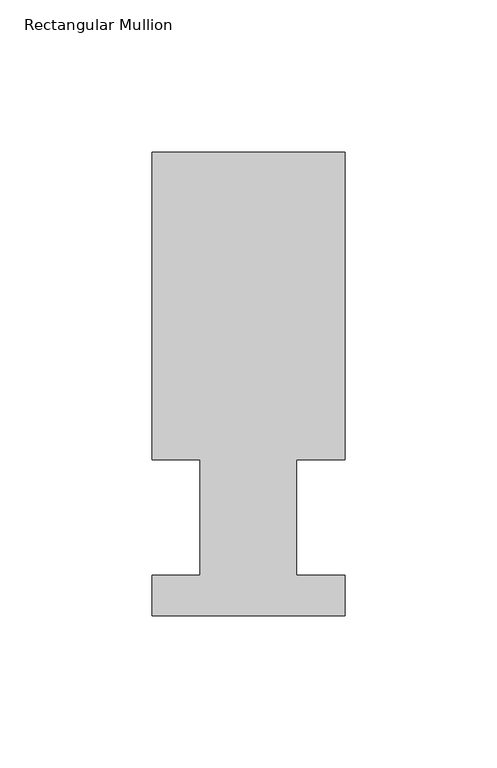
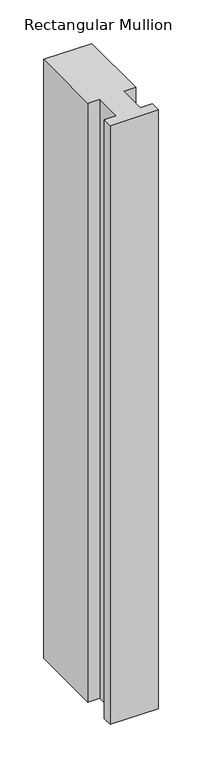
"""IFC4 building model written with IfcOpenShell, lengths in millimetres: member geometry, Rectangular Mullion."""

from ifc_helpers import new_model, si_unit, frame, origin, place, context, project, spatial, polyline, outline, extrude, source, transform, mapped, element, save


def rectangular_mullion_234212ca(model_context):
    return source(origin(), model_context, "Body", "SweptSolid", [
        extrude(outline(polyline([(-31.75, 152.4896938), (31.75, 152.4896938), (31.75, 51.2960937), (15.875, 51.2960937), (15.875, 13.1960938), (31.75, 13.1960938), (31.75, 0.0134938), (-31.75, 0.0134938), (-31.75, 13.1960938), (-15.875, 13.1960938), (-15.875, 51.2960937), (-31.75, 51.2960937), (-31.75, 152.4896938)])), frame((0.0, 0.0, -838.2), z_axis=(0.0, 0.0, 1.0), x_axis=(1.0, 0.0, 0.0)), (0.0, 0.0, 1.0), 838.2),
    ])


if __name__ == "__main__":
    model = new_model("IFC4")
    model_context = context("Model", 3, world=origin())
    ifc_project = project(units=[si_unit("LENGTHUNIT", "METRE", prefix="MILLI")], contexts=[model_context])
    site = spatial("IfcSite", under=ifc_project)
    building = spatial("IfcBuilding", under=site)
    placement = place(None, origin())
    rectangular_mullion_shape = rectangular_mullion_234212ca(model_context)
    element("IfcMember", 1, ObjectType="Rectangular Mullion", at=placement, inside=building, context=model_context, shape_type="MappedRepresentation", body=[
        mapped(rectangular_mullion_shape, transform((0.0, 0.0, 0.0), x_axis=(1.0, 0.0, 0.0), y_axis=(0.0, 1.0, 0.0), z_axis=(0.0, 0.0, 1.0))),
    ])
    save(model, "model.ifc")
